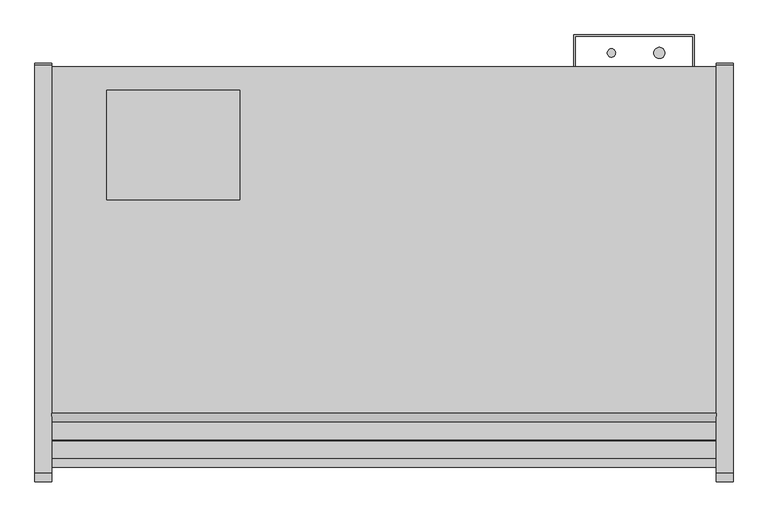
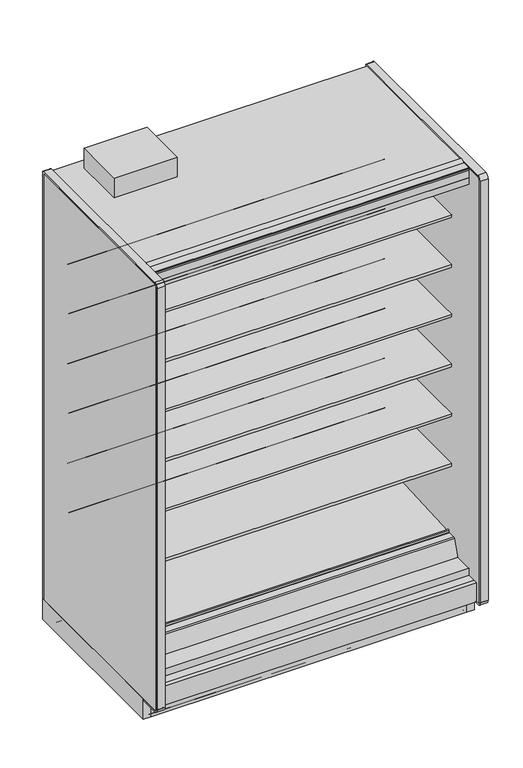
"""IFC4 building model written with IfcOpenShell, lengths in millimetres: proxy geometry."""

from ifc_helpers import new_model, si_unit, point, frame, frame_2d, origin, origin_with_axes, place, context, project, spatial, polyline, circle_curve, trimmed, segment, composite_curve, outline, extrude, source, transform, mapped, element, save
from ifc_brep_helpers import plane_surface, cylinder_surface, revolved_surface, advanced_brep


def mechanical_equipment_cd55933f(model_context):
    return source(origin(), model_context, "Body", "SolidModel", [
        advanced_brep(
        [(1524.0, -561.9634035, 344.1848334), (1524.0, -564.2429044, 345.4296812), (1524.0, -1026.8895371, 320.6518015), (1524.0, -1030.5933535, 323.8714799), (1524.0, -1031.0840219, 329.4798433), (1524.0, -1038.0719408, 329.6038293), (1524.0, -1036.3912863, 310.3938498), (1524.0, -1029.7331167, 304.6059909), (1524.0, -564.0987232, 329.0088554), (1524.0, -561.0984251, 332.412155), (0.0, -561.9634035, 344.1848334), (0.0, -561.0984251, 332.412155), (0.0, -564.0987232, 329.0088554), (0.0, -1029.7331167, 304.6059909), (0.0, -1036.3912863, 310.3938498), (0.0, -1038.0719408, 329.6038293), (0.0, -1031.1453592, 329.474477), (0.0, -1030.5933535, 323.8714799), (0.0, -1026.8895371, 320.6518015), (0.0, -564.2429044, 345.4296812)],
        [
            (0, 1, circle_curve(frame((1524.0, -564.1846976, 342.8267904), z_axis=(1.0, 0.0, 0.0), x_axis=(0.0, 1.0, 0.0)), 2.6035415)),
            (1, 2),
            (2, 3, circle_curve(frame((1524.0, -1027.074408, 324.1793478), z_axis=(-1.0, 0.0, 0.0), x_axis=(0.0, 1.0, 0.0)), 3.5323874)),
            (3, 4),
            (4, 5, circle_curve(frame((1524.0, -1034.6155275, 329.1708765), z_axis=(1.0, 0.0, 0.0), x_axis=(0.0, 1.0, 0.0)), 3.4834238)),
            (5, 6),
            (6, 7, circle_curve(frame((1524.0, -1030.06545, 310.9472884), z_axis=(1.0, 0.0, 0.0), x_axis=(0.0, 1.0, 0.0)), 6.35)),
            (7, 8),
            (8, 9, circle_curve(frame((1524.0, -564.2648898, 332.1795042), z_axis=(1.0, 0.0, 0.0), x_axis=(0.0, 1.0, 0.0)), 3.175)),
            (9, 0),
            (10, 11),
            (11, 12, circle_curve(frame((0.0, -564.2648898, 332.1795042), z_axis=(-1.0, 0.0, 0.0), x_axis=(0.0, 1.0, 0.0)), 3.175)),
            (12, 13),
            (13, 14, circle_curve(frame((0.0, -1030.06545, 310.9472884), z_axis=(-1.0, 0.0, 0.0), x_axis=(0.0, 1.0, 0.0)), 6.35)),
            (14, 15),
            (15, 16, circle_curve(frame((0.0, -1034.6155275, 329.1708765), z_axis=(-1.0, 0.0, 0.0), x_axis=(0.0, 1.0, 0.0)), 3.4834238)),
            (16, 17),
            (17, 18, circle_curve(frame((0.0, -1027.074408, 324.1793478), z_axis=(1.0, 0.0, 0.0), x_axis=(0.0, 1.0, 0.0)), 3.5323874)),
            (18, 19),
            (19, 10, circle_curve(frame((0.0, -564.1846976, 342.8267904), z_axis=(-1.0, 0.0, 0.0), x_axis=(0.0, 1.0, 0.0)), 2.6035415)),
            (0, 10),
            (19, 1),
            (18, 2),
            (17, 3),
            (16, 4),
            (15, 5),
            (14, 6),
            (13, 7),
            (12, 8),
            (11, 9),
        ],
        [
            plane_surface(frame((1524.0, -561.5811561, 342.8267904), z_axis=(1.0, 0.0, 0.0), x_axis=(0.0, 0.0, 1.0))),
            plane_surface(frame((0.0, -561.5811561, 342.8267904), z_axis=(-1.0, 0.0, 0.0), x_axis=(0.0, 0.0, -1.0))),
            cylinder_surface(frame((0.0, -564.1846976, 342.8267904), z_axis=(1.0, 0.0, 0.0), x_axis=(0.0, 1.0, 0.0)), 2.6035415),
            plane_surface(frame((1524.0, -564.2429044, 345.4296812), z_axis=(0.0, -0.05348016950002925, 0.9985689117283034), x_axis=(-1.0, 0.0, 0.0))),
            revolved_surface(polyline([(0.0, -1023.5420206, 324.1793478), (1524.0, -1023.5420206, 324.1793478)]), (0.0, -1027.074408, 324.1793478), (-1.0, 0.0, 0.0)),
            plane_surface(frame((1524.0, -1030.5933535, 323.8714799), z_axis=(0.0, 0.9961946955698885, 0.08715577157261226), x_axis=(-1.0, 0.0, 0.0))),
            cylinder_surface(frame((0.0, -1034.6155275, 329.1708765), z_axis=(1.0, 0.0, 0.0), x_axis=(0.0, 1.0, 0.0)), 3.4834238),
            plane_surface(frame((1524.0, -1038.0719408, 329.6038293), z_axis=(0.0, -0.9961947025639891, -0.08715569162966595), x_axis=(-1.0, 0.0, 0.0))),
            cylinder_surface(frame((0.0, -1030.06545, 310.9472884), z_axis=(1.0, 0.0, 0.0), x_axis=(0.0, 1.0, 0.0)), 6.35),
            plane_surface(frame((1524.0, -1029.7331167, 304.6059909), z_axis=(0.0, 0.05233595624301148, -0.9986295347545703), x_axis=(-1.0, 0.0, 0.0))),
            cylinder_surface(frame((0.0, -564.2648898, 332.1795042), z_axis=(1.0, 0.0, 0.0), x_axis=(0.0, 1.0, 0.0)), 3.175),
            plane_surface(frame((1524.0, -561.0984251, 332.412155), z_axis=(0.0, 0.9973117114183067, 0.07327585050948485), x_axis=(-1.0, 0.0, 0.0))),
        ],
        [
            (0, [[1, 2, 3, 4, 5, 6, 7, 8, 9, 10]]),
            (1, [[11, 12, 13, 14, 15, 16, 17, 18, 19, 20]]),
            (2, [[-1, 21, -20, 22]]),
            (3, [[-2, -22, -19, 23]]),
            (4, [[-3, -23, -18, 24]]),
            (5, [[-4, -24, -17, 25]]),
            (6, [[-5, -25, -16, 26]]),
            (7, [[-6, -26, -15, 27]]),
            (8, [[-7, -27, -14, 28]]),
            (9, [[-8, -28, -13, 29]]),
            (10, [[-9, -29, -12, 30]]),
            (11, [[-10, -30, -11, -21]]),
        ],
    ),
        extrude(outline(polyline([(0.0, -76.2), (0.0, 0.0), (1524.0, 0.0), (1524.0, -76.2), (0.0, -76.2)])), frame((1524.0, -1148.315718, 2172.3343709), z_axis=(0.0, 0.20791169081767066, 0.9781476007338246), x_axis=(-1.0, 0.0, 0.0)), (0.0, 0.0, 1.0), 12.7),
        extrude(outline(composite_curve([segment(polyline([(-450.7214273, 610.906076), (-468.9852913, 610.5955195)]), True, "CONTINUOUS"), segment(trimmed(circle_curve(frame_2d((-469.4171274, 635.9918483)), 25.4), [point((-468.9852913, 610.5955195))], [point((-485.3944836, 616.2463656))], False, "CARTESIAN"), True, "CONTINUOUS"), segment(polyline([(-485.3944836, 616.2463656), (-503.2465447, 630.6916311)]), True, "CONTINUOUS"), segment(trimmed(circle_curve(frame_2d((-543.1899354, 581.3279244)), 63.5), [point((-503.2465447, 630.6916311))], [point((-535.2920542, 644.3348563))], True, "CARTESIAN"), True, "CONTINUOUS"), segment(polyline([(-535.2920542, 644.3348563), (-749.7407218, 668.0319937), (-751.2294983, 671.4725458), (-1060.3214273, 671.4725458), (-1060.3214273, 685.6965458), (-450.7214273, 685.6965458), (-450.7214273, 610.906076)]), True, "CONTINUOUS")], self_intersect=False)), frame((0.0, 0.0, 0.0), z_axis=(1.0, 0.0, 0.0), x_axis=(0.0, 1.0, 0.0)), (0.0, 0.0, 1.0), 1524.0),
        extrude(outline(composite_curve([segment(polyline([(-450.7214273, 864.906076), (-468.9852913, 864.5955195)]), True, "CONTINUOUS"), segment(trimmed(circle_curve(frame_2d((-469.4171274, 889.9918483)), 25.4), [point((-468.9852913, 864.5955195))], [point((-485.3944836, 870.2463656))], False, "CARTESIAN"), True, "CONTINUOUS"), segment(polyline([(-485.3944836, 870.2463656), (-503.2465447, 884.6916311)]), True, "CONTINUOUS"), segment(trimmed(circle_curve(frame_2d((-543.1899354, 835.3279244)), 63.5), [point((-503.2465447, 884.6916311))], [point((-535.2920542, 898.3348563))], True, "CARTESIAN"), True, "CONTINUOUS"), segment(polyline([(-535.2920542, 898.3348563), (-749.7407218, 922.0319937), (-751.2294983, 925.4725458), (-1060.3214273, 925.4725458), (-1060.3214273, 939.6965458), (-450.7214273, 939.6965458), (-450.7214273, 864.906076)]), True, "CONTINUOUS")], self_intersect=False)), frame((0.0, 0.0, 0.0), z_axis=(1.0, 0.0, 0.0), x_axis=(0.0, 1.0, 0.0)), (0.0, 0.0, 1.0), 1524.0),
        extrude(outline(composite_curve([segment(polyline([(-450.7214273, 1118.906076), (-468.9852913, 1118.5955195)]), True, "CONTINUOUS"), segment(trimmed(circle_curve(frame_2d((-469.4171274, 1143.9918483)), 25.4), [point((-468.9852913, 1118.5955195))], [point((-485.3944836, 1124.2463656))], False, "CARTESIAN"), True, "CONTINUOUS"), segment(polyline([(-485.3944836, 1124.2463656), (-503.2465447, 1138.6916311)]), True, "CONTINUOUS"), segment(trimmed(circle_curve(frame_2d((-543.1899354, 1089.3279244)), 63.5), [point((-503.2465447, 1138.6916311))], [point((-535.2920542, 1152.3348563))], True, "CARTESIAN"), True, "CONTINUOUS"), segment(polyline([(-535.2920542, 1152.3348563), (-749.7407218, 1176.0319937), (-751.2294983, 1179.4725458), (-1060.3214273, 1179.4725458), (-1060.3214273, 1193.6965458), (-450.7214273, 1193.6965458), (-450.7214273, 1118.906076)]), True, "CONTINUOUS")], self_intersect=False)), frame((0.0, 0.0, 0.0), z_axis=(1.0, 0.0, 0.0), x_axis=(0.0, 1.0, 0.0)), (0.0, 0.0, 1.0), 1524.0),
        extrude(outline(composite_curve([segment(polyline([(-450.7214273, 1372.906076), (-468.9852913, 1372.5955195)]), True, "CONTINUOUS"), segment(trimmed(circle_curve(frame_2d((-469.4171274, 1397.9918483)), 25.4), [point((-468.9852913, 1372.5955195))], [point((-485.3944836, 1378.2463656))], False, "CARTESIAN"), True, "CONTINUOUS"), segment(polyline([(-485.3944836, 1378.2463656), (-503.2465447, 1392.6916311)]), True, "CONTINUOUS"), segment(trimmed(circle_curve(frame_2d((-543.1899354, 1343.3279244)), 63.5), [point((-503.2465447, 1392.6916311))], [point((-535.2920542, 1406.3348563))], True, "CARTESIAN"), True, "CONTINUOUS"), segment(polyline([(-535.2920542, 1406.3348563), (-749.7407218, 1430.0319937), (-751.2294983, 1433.4725458), (-1060.3214273, 1433.4725458), (-1060.3214273, 1447.6965458), (-450.7214273, 1447.6965458), (-450.7214273, 1372.906076)]), True, "CONTINUOUS")], self_intersect=False)), frame((0.0, 0.0, 0.0), z_axis=(1.0, 0.0, 0.0), x_axis=(0.0, 1.0, 0.0)), (0.0, 0.0, 1.0), 1524.0),
        extrude(outline(composite_curve([segment(polyline([(-450.7214273, 1626.906076), (-468.9852913, 1626.5955195)]), True, "CONTINUOUS"), segment(trimmed(circle_curve(frame_2d((-469.4171274, 1651.9918483)), 25.4), [point((-468.9852913, 1626.5955195))], [point((-485.3944836, 1632.2463656))], False, "CARTESIAN"), True, "CONTINUOUS"), segment(polyline([(-485.3944836, 1632.2463656), (-503.2465447, 1646.6916311)]), True, "CONTINUOUS"), segment(trimmed(circle_curve(frame_2d((-543.1899354, 1597.3279244)), 63.5), [point((-503.2465447, 1646.6916311))], [point((-535.2920542, 1660.3348563))], True, "CARTESIAN"), True, "CONTINUOUS"), segment(polyline([(-535.2920542, 1660.3348563), (-749.7407218, 1684.0319937), (-751.2294983, 1687.4725458), (-1060.3214273, 1687.4725458), (-1060.3214273, 1701.6965458), (-450.7214273, 1701.6965458), (-450.7214273, 1626.906076)]), True, "CONTINUOUS")], self_intersect=False)), frame((0.0, 0.0, 0.0), z_axis=(1.0, 0.0, 0.0), x_axis=(0.0, 1.0, 0.0)), (0.0, 0.0, 1.0), 1524.0),
        extrude(outline(composite_curve([segment(polyline([(-450.7214273, 1880.906076), (-468.9852913, 1880.5955195)]), True, "CONTINUOUS"), segment(trimmed(circle_curve(frame_2d((-469.4171274, 1905.9918483)), 25.4), [point((-468.9852913, 1880.5955195))], [point((-485.3944836, 1886.2463656))], False, "CARTESIAN"), True, "CONTINUOUS"), segment(polyline([(-485.3944836, 1886.2463656), (-503.2465447, 1900.6916311)]), True, "CONTINUOUS"), segment(trimmed(circle_curve(frame_2d((-543.1899354, 1851.3279244)), 63.5), [point((-503.2465447, 1900.6916311))], [point((-535.2920542, 1914.3348563))], True, "CARTESIAN"), True, "CONTINUOUS"), segment(polyline([(-535.2920542, 1914.3348563), (-749.7407218, 1938.0319937), (-751.2294983, 1941.4725458), (-1060.3214273, 1941.4725458), (-1060.3214273, 1955.6965458), (-450.7214273, 1955.6965458), (-450.7214273, 1880.906076)]), True, "CONTINUOUS")], self_intersect=False)), frame((0.0, 0.0, 0.0), z_axis=(1.0, 0.0, 0.0), x_axis=(0.0, 1.0, 0.0)), (0.0, 0.0, 1.0), 1524.0),
        extrude(outline(composite_curve([segment(polyline([(-399.4642273, 263.5334166), (-450.7214273, 263.5334166), (-450.7214273, 2180.7678), (-1054.683315, 2180.7678), (-1065.9723027, 2183.3740682), (-1068.4516793, 2171.7095186)]), True, "CONTINUOUS"), segment(trimmed(circle_curve(frame_2d((-1069.9423762, 2172.026376)), 1.524), [point((-1068.4516793, 2171.7095186))], [point((-1070.2592336, 2170.535679))], False, "CARTESIAN"), True, "CONTINUOUS"), segment(polyline([(-1070.2592336, 2170.535679), (-1146.9989273, 2186.8472045), (-1146.9989273, 2185.4610037)]), True, "CONTINUOUS"), segment(trimmed(circle_curve(frame_2d((-1149.3773343, 2185.6703219)), 2.3876), [point((-1146.9989273, 2185.4610037))], [point((-1149.3773343, 2183.2827219))], False, "CARTESIAN"), True, "CONTINUOUS"), segment(polyline([(-1149.3773343, 2183.2827219), (-1160.0080838, 2183.2827219), (-1160.0080838, 2198.5584119), (-1204.934197, 2198.5584119), (-1204.934197, 2231.5678), (-399.4642273, 2231.5678), (-399.4642273, 263.5334166)]), True, "CONTINUOUS")], self_intersect=False)), frame((0.0, 0.0, 0.0), z_axis=(1.0, 0.0, 0.0), x_axis=(0.0, 1.0, 0.0)), (0.0, 0.0, 1.0), 1524.0),
        extrude(outline(polyline([(-1184.0321273, 137.6211945), (-1168.9318273, 134.4868212), (-1168.9318273, 0.0), (-1184.0321273, 0.0), (-1184.0321273, 137.6211945)])), frame((0.0, 0.0, 0.0), z_axis=(1.0, 0.0, 0.0), x_axis=(0.0, 1.0, 0.0)), (0.0, 0.0, 1.0), 1524.0),
        extrude(outline(composite_curve([segment(polyline([(-1143.4147517, 2293.9163807), (-1142.8305517, 2292.9045166), (-1164.373752, 2280.4665441)]), True, "CONTINUOUS"), segment(trimmed(circle_curve(frame_2d((-1165.351652, 2282.1603166)), 1.9558), [point((-1164.373752, 2280.4665441))], [point((-1165.351652, 2280.2045166))], False, "CARTESIAN"), True, "CONTINUOUS"), segment(polyline([(-1165.351652, 2280.2045166), (-1204.146797, 2280.2045166)]), True, "CONTINUOUS"), segment(trimmed(circle_curve(frame_2d((-1204.146797, 2279.4171166)), 0.7874), [point((-1204.146797, 2280.2045166))], [point((-1204.934197, 2279.4171166))], True, "CARTESIAN"), True, "CONTINUOUS"), segment(polyline([(-1204.934197, 2279.4171166), (-1204.934197, 2271.1740275), (-1206.102597, 2271.1740275), (-1206.102597, 2279.4171166)]), True, "CONTINUOUS"), segment(trimmed(circle_curve(frame_2d((-1204.146797, 2279.4171166)), 1.9558), [point((-1206.102597, 2279.4171166))], [point((-1204.146797, 2281.3729166))], False, "CARTESIAN"), True, "CONTINUOUS"), segment(polyline([(-1204.146797, 2281.3729166), (-1165.8714792, 2281.3729166)]), True, "CONTINUOUS"), segment(trimmed(circle_curve(frame_2d((-1165.8714792, 2284.100338)), 2.7274214), [point((-1165.8714792, 2281.3729166))], [point((-1164.5077684, 2281.7383218))], True, "CARTESIAN"), True, "CONTINUOUS"), segment(polyline([(-1164.5077684, 2281.7383218), (-1143.4147517, 2293.9163807)]), True, "CONTINUOUS")], self_intersect=False)), frame((0.0, 0.0, 0.0), z_axis=(1.0, 0.0, 0.0), x_axis=(0.0, 1.0, 0.0)), (0.0, 0.0, 1.0), 1524.0),
        extrude(outline(composite_curve([segment(trimmed(circle_curve(frame_2d((-389.0756273, 5.1562)), 5.1562), [point((-389.0756273, 0.0))], [point((-394.2318273, 5.1562))], False, "CARTESIAN"), True, "CONTINUOUS"), segment(polyline([(-394.2318273, 5.1562), (-394.2318273, 20.5359)]), True, "CONTINUOUS"), segment(trimmed(circle_curve(frame_2d((-396.6194273, 20.5359)), 2.3876), [point((-394.2318273, 20.5359))], [point((-396.6194273, 22.9235))], True, "CARTESIAN"), True, "CONTINUOUS"), segment(polyline([(-396.6194273, 22.9235), (-407.8462273, 22.9235)]), True, "CONTINUOUS"), segment(trimmed(circle_curve(frame_2d((-407.8462273, 20.5359)), 2.3876), [point((-407.8462273, 22.9235))], [point((-410.2338273, 20.5359))], True, "CARTESIAN"), True, "CONTINUOUS"), segment(polyline([(-410.2338273, 20.5359), (-410.2338273, 5.1054), (-413.0024273, 5.1054), (-413.0024273, 20.5359)]), True, "CONTINUOUS"), segment(trimmed(circle_curve(frame_2d((-407.8462273, 20.5359)), 5.1562), [point((-413.0024273, 20.5359))], [point((-407.8462273, 25.6921))], False, "CARTESIAN"), True, "CONTINUOUS"), segment(polyline([(-407.8462273, 25.6921), (-396.6194273, 25.6921)]), True, "CONTINUOUS"), segment(trimmed(circle_curve(frame_2d((-396.6194273, 20.5359)), 5.1562), [point((-396.6194273, 25.6921))], [point((-391.4632273, 20.5359))], False, "CARTESIAN"), True, "CONTINUOUS"), segment(polyline([(-391.4632273, 20.5359), (-391.4632273, 5.1562)]), True, "CONTINUOUS"), segment(trimmed(circle_curve(frame_2d((-389.0756273, 5.1562)), 2.3876), [point((-391.4632273, 5.1562))], [point((-389.0756273, 2.7686))], True, "CARTESIAN"), True, "CONTINUOUS"), segment(polyline([(-389.0756273, 2.7686), (-354.1633273, 2.7686)]), True, "CONTINUOUS"), segment(trimmed(circle_curve(frame_2d((-354.1633273, 5.1562)), 2.3876), [point((-354.1633273, 2.7686))], [point((-351.7757273, 5.1562))], True, "CARTESIAN"), True, "CONTINUOUS"), segment(polyline([(-351.7757273, 5.1562), (-351.7757273, 24.892), (-349.0071273, 24.892), (-349.0071273, 5.1562)]), True, "CONTINUOUS"), segment(trimmed(circle_curve(frame_2d((-354.1633273, 5.1562)), 5.1562), [point((-349.0071273, 5.1562))], [point((-354.1633273, 0.0))], False, "CARTESIAN"), True, "CONTINUOUS"), segment(polyline([(-354.1633273, 0.0), (-389.0756273, 0.0)]), True, "CONTINUOUS")], self_intersect=False)), frame((0.0, 0.0, 0.0), z_axis=(1.0, 0.0, 0.0), x_axis=(0.0, 1.0, 0.0)), (0.0, 0.0, 1.0), 1524.0),
        extrude(outline(polyline([(431.8, -402.5757273), (431.8, -653.4642273), (127.0, -653.4642273), (127.0, -402.5757273), (431.8, -402.5757273)])), frame((0.0, 0.0, 2283.6853727), z_axis=(0.0, 0.0, 1.0), x_axis=(1.0, 0.0, 0.0)), (0.0, 0.0, 1.0), 100.7396273),
        extrude(outline(composite_curve([segment(trimmed(circle_curve(frame_2d((1393.1930803, -317.2571273)), 12.7), [point((1380.4930803, -317.2571273))], [point((1405.8930803, -317.2571273))], False, "CARTESIAN"), True, "CONTINUOUS"), segment(trimmed(circle_curve(frame_2d((1393.1930803, -317.2571273)), 12.7), [point((1405.8930803, -317.2571273))], [point((1380.4930803, -317.2571273))], False, "CARTESIAN"), True, "CONTINUOUS")], self_intersect=False)), frame((0.0, 0.0, 1447.6965458), z_axis=(0.0, 0.0, 1.0), x_axis=(1.0, 0.0, 0.0)), (0.0, 0.0, 1.0), 508.0),
        extrude(outline(composite_curve([segment(trimmed(circle_curve(frame_2d((1283.2004524, -317.2571273)), 9.525), [point((1273.6754524, -317.2571273))], [point((1292.7254524, -317.2571273))], False, "CARTESIAN"), True, "CONTINUOUS"), segment(trimmed(circle_curve(frame_2d((1283.2004524, -317.2571273)), 9.525), [point((1292.7254524, -317.2571273))], [point((1273.6754524, -317.2571273))], False, "CARTESIAN"), True, "CONTINUOUS")], self_intersect=False)), frame((0.0, 0.0, 1447.6965458), z_axis=(0.0, 0.0, 1.0), x_axis=(1.0, 0.0, 0.0)), (0.0, 0.0, 1.0), 508.0),
        extrude(outline(composite_curve([segment(trimmed(circle_curve(frame_2d((1384.8004524, -526.8071273)), 9.525), [point((1375.2754524, -526.8071273))], [point((1394.3254524, -526.8071273))], False, "CARTESIAN"), True, "CONTINUOUS"), segment(trimmed(circle_curve(frame_2d((1384.8004524, -526.8071273)), 9.525), [point((1394.3254524, -526.8071273))], [point((1375.2754524, -526.8071273))], False, "CARTESIAN"), True, "CONTINUOUS")], self_intersect=False)), frame((0.0, 0.0, 57.8450688), z_axis=(0.0, 0.0, 1.0), x_axis=(1.0, 0.0, 0.0)), (0.0, 0.0, 1.0), 47.3172812),
        extrude(outline(composite_curve([segment(trimmed(circle_curve(frame_2d((1431.2930803, -526.8071273)), 12.7), [point((1418.5930803, -526.8071273))], [point((1443.9930803, -526.8071273))], False, "CARTESIAN"), True, "CONTINUOUS"), segment(trimmed(circle_curve(frame_2d((1431.2930803, -526.8071273)), 12.7), [point((1443.9930803, -526.8071273))], [point((1418.5930803, -526.8071273))], False, "CARTESIAN"), True, "CONTINUOUS")], self_intersect=False)), frame((0.0, 0.0, 57.8450688), z_axis=(0.0, 0.0, 1.0), x_axis=(1.0, 0.0, 0.0)), (0.0, 0.0, 1.0), 47.3172812),
        advanced_brep(
        [(1524.0, -351.7757273, 5.1562), (1524.0, -351.7757273, 102.030341), (1524.0, -354.5203863, 104.775), (1524.0, -1016.877197, 104.775), (1524.0, -1020.1132273, 101.5389697), (1524.0, -1020.1132273, 5.1562), (1524.0, -1017.7256273, 2.7686), (1524.0, -985.1882273, 2.7686), (1524.0, -985.1882273, 44.45), (1524.0, -386.7007273, 44.45), (1524.0, -386.7007273, 2.7686), (1524.0, -354.1633273, 2.7686), (0.0, -351.7757273, 5.1562), (0.0, -354.1633273, 2.7686), (0.0, -386.7007273, 2.7686), (0.0, -386.7007273, 44.45), (0.0, -985.1882273, 44.45), (0.0, -985.1882273, 2.7686), (0.0, -1017.7256273, 2.7686), (0.0, -1020.1132273, 5.1562), (0.0, -1020.1132273, 101.5389697), (0.0, -1016.877197, 104.775), (0.0, -354.5203863, 104.775), (0.0, -351.7757273, 102.030341), (812.8, -945.9071273, 104.775), (711.2, -945.9071273, 104.775), (1460.5, -526.8071273, 104.775), (1358.9, -526.8071273, 104.775), (1358.9, -526.8071273, 44.45), (1460.5, -526.8071273, 44.45), (711.2, -945.9071273, 70.23735), (812.8, -945.9071273, 70.23735)],
        [
            (0, 1),
            (1, 2, circle_curve(frame((1524.0, -354.5203863, 102.030341), z_axis=(1.0, 0.0, 0.0), x_axis=(0.0, 1.0, 0.0)), 2.744659)),
            (2, 3),
            (3, 4, circle_curve(frame((1524.0, -1016.877197, 101.5389697), z_axis=(1.0, 0.0, 0.0), x_axis=(0.0, 1.0, 0.0)), 3.2360303)),
            (4, 5),
            (5, 6, circle_curve(frame((1524.0, -1017.7256273, 5.1562), z_axis=(1.0, 0.0, 0.0), x_axis=(0.0, 1.0, 0.0)), 2.3876)),
            (6, 7),
            (7, 8),
            (8, 9),
            (9, 10),
            (10, 11),
            (11, 0, circle_curve(frame((1524.0, -354.1633273, 5.1562), z_axis=(1.0, 0.0, 0.0), x_axis=(0.0, 1.0, 0.0)), 2.3876)),
            (12, 13, circle_curve(frame((0.0, -354.1633273, 5.1562), z_axis=(-1.0, 0.0, 0.0), x_axis=(0.0, 1.0, 0.0)), 2.3876)),
            (13, 14),
            (14, 15),
            (15, 16),
            (16, 17),
            (17, 18),
            (18, 19, circle_curve(frame((0.0, -1017.7256273, 5.1562), z_axis=(-1.0, 0.0, 0.0), x_axis=(0.0, 1.0, 0.0)), 2.3876)),
            (19, 20),
            (20, 21, circle_curve(frame((0.0, -1016.877197, 101.5389697), z_axis=(-1.0, 0.0, 0.0), x_axis=(0.0, 1.0, 0.0)), 3.2360303)),
            (21, 22),
            (22, 23, circle_curve(frame((0.0, -354.5203863, 102.030341), z_axis=(-1.0, 0.0, 0.0), x_axis=(0.0, 1.0, 0.0)), 2.744659)),
            (23, 12),
            (0, 12),
            (23, 1),
            (22, 2),
            (21, 3),
            (24, 25, circle_curve(frame((762.0, -945.9071273, 104.775), z_axis=(0.0, 0.0, -1.0), x_axis=(1.0, 0.0, 0.0)), 50.8)),
            (25, 24, circle_curve(frame((762.0, -945.9071273, 104.775), z_axis=(0.0, 0.0, -1.0), x_axis=(1.0, 0.0, 0.0)), 50.8)),
            (26, 27, circle_curve(frame((1409.7, -526.8071273, 104.775), z_axis=(0.0, 0.0, -1.0), x_axis=(1.0, 0.0, 0.0)), 50.8)),
            (27, 26, circle_curve(frame((1409.7, -526.8071273, 104.775), z_axis=(0.0, 0.0, -1.0), x_axis=(1.0, 0.0, 0.0)), 50.8)),
            (20, 4),
            (19, 5),
            (18, 6),
            (17, 7),
            (16, 8),
            (15, 9),
            (28, 29, circle_curve(frame((1409.7, -526.8071273, 44.45), z_axis=(0.0, 0.0, 1.0), x_axis=(1.0, 0.0, 0.0)), 50.8)),
            (29, 28, circle_curve(frame((1409.7, -526.8071273, 44.45), z_axis=(0.0, 0.0, 1.0), x_axis=(1.0, 0.0, 0.0)), 50.8)),
            (14, 10),
            (13, 11),
            (30, 31, circle_curve(frame((762.0, -945.9071273, 70.23735), z_axis=(0.0, 0.0, 1.0), x_axis=(1.0, 0.0, 0.0)), 50.8)),
            (31, 30, circle_curve(frame((762.0, -945.9071273, 70.23735), z_axis=(0.0, 0.0, 1.0), x_axis=(1.0, 0.0, 0.0)), 50.8)),
            (30, 25),
            (24, 31),
            (28, 27),
            (26, 29),
        ],
        [
            plane_surface(frame((1524.0, -351.7757273, 124.7613392), z_axis=(1.0, 0.0, 0.0), x_axis=(0.0, 0.0, 1.0))),
            plane_surface(frame((0.0, -351.7757273, 124.7613392), z_axis=(-1.0, 0.0, 0.0), x_axis=(0.0, 0.0, -1.0))),
            plane_surface(frame((1524.0, -351.7757273, 5.1562), z_axis=(0.0, 1.0, 0.0), x_axis=(-1.0, 0.0, 0.0))),
            cylinder_surface(frame((0.0, -354.5203863, 102.030341), z_axis=(1.0, 0.0, 0.0), x_axis=(0.0, 1.0, 0.0)), 2.744659),
            plane_surface(frame((1524.0, -354.5203863, 104.775), z_axis=(0.0, 0.0, 1.0), x_axis=(-1.0, 0.0, 0.0))),
            cylinder_surface(frame((0.0, -1016.877197, 101.5389697), z_axis=(1.0, 0.0, 0.0), x_axis=(0.0, 1.0, 0.0)), 3.2360303),
            plane_surface(frame((1524.0, -1020.1132273, 101.5389697), z_axis=(0.0, -1.0, 0.0), x_axis=(-1.0, 0.0, 0.0))),
            cylinder_surface(frame((0.0, -1017.7256273, 5.1562), z_axis=(1.0, 0.0, 0.0), x_axis=(0.0, 1.0, 0.0)), 2.3876),
            plane_surface(frame((1524.0, -1017.7256273, 2.7686), z_axis=(0.0, 0.0, -1.0), x_axis=(-1.0, 0.0, 0.0))),
            plane_surface(frame((1524.0, -985.1882273, 2.7686), z_axis=(0.0, 1.0, 0.0), x_axis=(-1.0, 0.0, 0.0))),
            plane_surface(frame((1524.0, -985.1882273, 44.45), z_axis=(0.0, 0.0, -1.0), x_axis=(-1.0, 0.0, 0.0))),
            plane_surface(frame((1524.0, -386.7007273, 44.45), z_axis=(0.0, -1.0, 0.0), x_axis=(-1.0, 0.0, 0.0))),
            plane_surface(frame((1524.0, -386.7007273, 2.7686), z_axis=(0.0, 0.0, -1.0), x_axis=(-1.0, 0.0, 0.0))),
            cylinder_surface(frame((0.0, -354.1633273, 5.1562), z_axis=(1.0, 0.0, 0.0), x_axis=(0.0, 1.0, 0.0)), 2.3876),
            plane_surface(frame((812.8, -945.9071273, 70.23735), z_axis=(0.0, 0.0, 1.0), x_axis=(0.0, -1.0, 0.0))),
            revolved_surface(polyline([(812.8, -945.9071273, 104.775), (812.8, -945.9071273, 70.23735)]), (762.0, -945.9071273, 70.23735), (0.0, 0.0, 1.0)),
            revolved_surface(polyline([(1460.5, -526.8071273, 104.775), (1460.5, -526.8071273, 44.45)]), (1409.7, -526.8071273, 0.0), (0.0, 0.0, 1.0)),
        ],
        [
            (0, [[1, 2, 3, 4, 5, 6, 7, 8, 9, 10, 11, 12]]),
            (1, [[13, 14, 15, 16, 17, 18, 19, 20, 21, 22, 23, 24]]),
            (2, [[-1, 25, -24, 26]]),
            (3, [[-2, -26, -23, 27]]),
            (4, [[-3, -27, -22, 28], [29, 30], [31, 32]]),
            (5, [[-4, -28, -21, 33]]),
            (6, [[-5, -33, -20, 34]]),
            (7, [[-6, -34, -19, 35]]),
            (8, [[-7, -35, -18, 36]]),
            (9, [[-8, -36, -17, 37]]),
            (10, [[-9, -37, -16, 38], [39, 40]]),
            (11, [[-10, -38, -15, 41]]),
            (12, [[-11, -41, -14, 42]]),
            (13, [[-12, -42, -13, -25]]),
            (14, [[43, 44]]),
            (15, [[-43, 45, -29, 46]]),
            (15, [[-44, -46, -30, -45]]),
            (16, [[47, -31, 48, -39]]),
            (16, [[-47, -40, -48, -32]]),
        ],
    ),
        extrude(outline(composite_curve([segment(polyline([(-982.8133273, 0.0), (-1017.7256273, 0.0)]), True, "CONTINUOUS"), segment(trimmed(circle_curve(frame_2d((-1017.7256273, 5.1562)), 5.1562), [point((-1017.7256273, 0.0))], [point((-1022.8818273, 5.1562))], False, "CARTESIAN"), True, "CONTINUOUS"), segment(polyline([(-1022.8818273, 5.1562), (-1022.8818273, 24.892), (-1020.1132273, 24.892), (-1020.1132273, 5.1562)]), True, "CONTINUOUS"), segment(trimmed(circle_curve(frame_2d((-1017.7256273, 5.1562)), 2.3876), [point((-1020.1132273, 5.1562))], [point((-1017.7256273, 2.7686))], True, "CARTESIAN"), True, "CONTINUOUS"), segment(polyline([(-1017.7256273, 2.7686), (-982.8133273, 2.7686)]), True, "CONTINUOUS"), segment(trimmed(circle_curve(frame_2d((-982.8133273, 5.1562)), 2.3876), [point((-982.8133273, 2.7686))], [point((-980.4257273, 5.1562))], True, "CARTESIAN"), True, "CONTINUOUS"), segment(polyline([(-980.4257273, 5.1562), (-980.4257273, 20.5359)]), True, "CONTINUOUS"), segment(trimmed(circle_curve(frame_2d((-975.2695273, 20.5359)), 5.1562), [point((-980.4257273, 20.5359))], [point((-975.2695273, 25.6921))], False, "CARTESIAN"), True, "CONTINUOUS"), segment(polyline([(-975.2695273, 25.6921), (-964.0427273, 25.6921)]), True, "CONTINUOUS"), segment(trimmed(circle_curve(frame_2d((-964.0427273, 20.5359)), 5.1562), [point((-964.0427273, 25.6921))], [point((-958.8865273, 20.5359))], False, "CARTESIAN"), True, "CONTINUOUS"), segment(polyline([(-958.8865273, 20.5359), (-958.8865273, 5.1054), (-961.6551273, 5.1054), (-961.6551273, 20.5359)]), True, "CONTINUOUS"), segment(trimmed(circle_curve(frame_2d((-964.0427273, 20.5359)), 2.3876), [point((-961.6551273, 20.5359))], [point((-964.0427273, 22.9235))], True, "CARTESIAN"), True, "CONTINUOUS"), segment(polyline([(-964.0427273, 22.9235), (-975.2695273, 22.9235)]), True, "CONTINUOUS"), segment(trimmed(circle_curve(frame_2d((-975.2695273, 20.5359)), 2.3876), [point((-975.2695273, 22.9235))], [point((-977.6571273, 20.5359))], True, "CARTESIAN"), True, "CONTINUOUS"), segment(polyline([(-977.6571273, 20.5359), (-977.6571273, 5.1562)]), True, "CONTINUOUS"), segment(trimmed(circle_curve(frame_2d((-982.8133273, 5.1562)), 5.1562), [point((-977.6571273, 5.1562))], [point((-982.8133273, 0.0))], False, "CARTESIAN"), True, "CONTINUOUS")], self_intersect=False)), frame((0.0, 0.0, 0.0), z_axis=(1.0, 0.0, 0.0), x_axis=(0.0, 1.0, 0.0)), (0.0, 0.0, 1.0), 1524.0),
        extrude(outline(polyline([(1562.1, -341.3672835), (1562.1, -1184.0321273), (1524.0, -1184.0321273), (1524.0, -341.3672835), (1562.1, -341.3672835)])), origin_with_axes(), (0.0, 0.0, 1.0), 105.16235),
        extrude(outline(polyline([(0.0, -341.3672835), (0.0, -1184.0321273), (-38.1, -1184.0321273), (-38.1, -341.3672835), (0.0, -341.3672835)])), origin_with_axes(), (0.0, 0.0, 1.0), 105.16235),
        extrude(outline(polyline([(1196.975, -349.0071273), (1196.975, -275.9821273), (1473.2, -275.9821273), (1473.2, -349.0071273), (1470.025, -349.0071273), (1470.025, -279.1571273), (1200.15, -279.1571273), (1200.15, -349.0071273), (1196.975, -349.0071273)])), frame((0.0, 0.0, 304.927), z_axis=(0.0, 0.0, 1.0), x_axis=(1.0, 0.0, 0.0)), (0.0, 0.0, 1.0), 1523.3666145),
        extrude(outline(composite_curve([segment(polyline([(-1204.934197, 2231.5678), (-1204.934197, 2282.0376)]), True, "CONTINUOUS"), segment(trimmed(circle_curve(frame_2d((-1204.146797, 2282.0376)), 0.7874), [point((-1204.934197, 2282.0376))], [point((-1204.146797, 2282.825))], False, "CARTESIAN"), True, "CONTINUOUS"), segment(polyline([(-1204.146797, 2282.825), (-349.0071273, 2282.825), (-349.0071273, 105.16235), (-1245.5001273, 105.16235), (-1245.5001273, 201.2766923), (-1204.9341969, 201.2766923), (-1204.9341969, 141.9598426), (-1119.8033151, 124.2892029), (-399.4642273, 162.0405748), (-399.4642273, 2231.5678), (-1204.934197, 2231.5678)]), True, "CONTINUOUS")], self_intersect=False)), frame((0.0, 0.0, 0.0), z_axis=(1.0, 0.0, 0.0), x_axis=(0.0, 1.0, 0.0)), (0.0, 0.0, 1.0), 1524.0),
        extrude(outline(composite_curve([segment(polyline([(-1254.0726273, 103.4174079), (-1265.1216273, 103.4174079)]), True, "CONTINUOUS"), segment(trimmed(circle_curve(frame_2d((-1265.1216273, 105.0684079)), 1.651), [point((-1265.1216273, 103.4174079))], [point((-1266.7726273, 105.0684079))], False, "CARTESIAN"), True, "CONTINUOUS"), segment(polyline([(-1266.7726273, 105.0684079), (-1266.7726273, 201.2766923), (-1245.5001273, 201.2766923), (-1245.5001273, 104.8779079), (-1254.0726273, 104.8779079), (-1254.0726273, 103.4174079)]), True, "CONTINUOUS")], self_intersect=False)), frame((0.0, 0.0, 0.0), z_axis=(1.0, 0.0, 0.0), x_axis=(0.0, 1.0, 0.0)), (0.0, 0.0, 1.0), 1524.0),
        extrude(outline(composite_curve([segment(polyline([(-1204.9341969, 236.2009548), (-1112.2655229, 236.2009548), (-1085.4840574, 317.0386194)]), True, "CONTINUOUS"), segment(trimmed(circle_curve(frame_2d((-1079.4562504, 315.0416109)), 6.35), [point((-1085.4840574, 317.0386194))], [point((-1079.4562504, 321.3916109))], False, "CARTESIAN"), True, "CONTINUOUS"), segment(polyline([(-1079.4562504, 321.3916109), (-1042.3265632, 321.3916109)]), True, "CONTINUOUS"), segment(trimmed(circle_curve(frame_2d((-1042.3265632, 317.161475)), 4.2301359), [point((-1042.3265632, 321.3916109))], [point((-1038.0964273, 317.161475))], False, "CARTESIAN"), True, "CONTINUOUS"), segment(polyline([(-1038.0964273, 317.161475), (-1038.0964273, 302.496991), (-560.550461, 327.5241146), (-560.9721481, 339.5996547)]), True, "CONTINUOUS"), segment(trimmed(circle_curve(frame_2d((-556.4536725, 339.7574433)), 4.5212298), [point((-560.9721481, 339.5996547))], [point((-556.6114611, 344.2759189))], False, "CARTESIAN"), True, "CONTINUOUS"), segment(polyline([(-556.6114611, 344.2759189), (-470.5298654, 347.2819545)]), True, "CONTINUOUS"), segment(trimmed(circle_curve(frame_2d((-470.5794425, 348.7016581)), 1.420569), [point((-470.5298654, 347.2819545))], [point((-469.1597389, 348.7512352))], True, "CARTESIAN"), True, "CONTINUOUS"), segment(polyline([(-469.1597389, 348.7512352), (-469.2184151, 350.4315015)]), True, "CONTINUOUS"), segment(trimmed(circle_curve(frame_2d((-467.1682375, 350.5030952)), 2.0514273), [point((-469.2184151, 350.4315015))], [point((-467.5303136, 352.5223166))], False, "CARTESIAN"), True, "CONTINUOUS"), segment(polyline([(-467.5303136, 352.5223166), (-450.7214273, 352.5223166), (-450.7214273, 263.5334166), (-399.4642273, 263.5334166), (-399.4642273, 162.0405748), (-1119.8033151, 124.2892029), (-1204.9341969, 141.9598426), (-1204.9341969, 236.2009548)]), True, "CONTINUOUS")], self_intersect=False)), frame((0.0, 0.0, 0.0), z_axis=(1.0, 0.0, 0.0), x_axis=(0.0, 1.0, 0.0)), (0.0, 0.0, 1.0), 1524.0),
        extrude(outline(composite_curve([segment(polyline([(-1018.5257273, 55.1029387), (-1024.5582273, 55.1180957), (-1024.5582273, -0.0063699), (-1163.8777056, 0.0051706)]), True, "CONTINUOUS"), segment(trimmed(circle_curve(frame_2d((-1163.8772869, 5.059711)), 5.0545404), [point((-1163.8777056, 0.0051706))], [point((-1168.9318273, 5.059711))], False, "CARTESIAN"), True, "CONTINUOUS"), segment(polyline([(-1168.9318273, 5.059711), (-1168.9318273, 134.4868212), (-1119.8033151, 124.2892029), (-1018.5257273, 129.5969363), (-1018.5257273, 55.1029387)]), True, "CONTINUOUS")], self_intersect=False)), frame((0.0, 0.0, 0.0), z_axis=(1.0, 0.0, 0.0), x_axis=(0.0, 1.0, 0.0)), (0.0, 0.0, 1.0), 1524.0),
        extrude(outline(composite_curve([segment(trimmed(circle_curve(frame_2d((762.0, -945.9071273)), 38.1), [point((723.9, -945.9071273))], [point((800.1, -945.9071273))], False, "CARTESIAN"), True, "CONTINUOUS"), segment(trimmed(circle_curve(frame_2d((762.0, -945.9071273)), 38.1), [point((800.1, -945.9071273))], [point((723.9, -945.9071273))], False, "CARTESIAN"), True, "CONTINUOUS")], self_intersect=False)), frame((0.0, 0.0, 57.8450688), z_axis=(0.0, 0.0, 1.0), x_axis=(1.0, 0.0, 0.0)), (0.0, 0.0, 1.0), 47.3172812),
        extrude(outline(polyline([(114.3, -411.7999572), (114.3, -462.5999572), (0.0, -462.5999572), (0.0, -411.7999572), (114.3, -411.7999572)])), frame((0.0, 0.0, 63.88735), z_axis=(0.0, 0.0, 1.0), x_axis=(1.0, 0.0, 0.0)), (0.0, 0.0, 1.0), 6.35),
        extrude(outline(composite_curve([segment(trimmed(circle_curve(frame_2d((-1279.2821273, 2270.125)), 12.7), [point((-1279.2821273, 2282.825))], [point((-1291.9821273, 2270.125))], True, "CARTESIAN"), True, "CONTINUOUS"), segment(polyline([(-1291.9821273, 2270.125), (-1291.9821273, 117.86235)]), True, "CONTINUOUS"), segment(trimmed(circle_curve(frame_2d((-1279.2821273, 117.86235)), 12.7), [point((-1291.9821273, 117.86235))], [point((-1279.2821273, 105.16235))], True, "CARTESIAN"), True, "CONTINUOUS"), segment(polyline([(-1279.2821273, 105.16235), (-1184.0321273, 105.16235), (-1184.0321273, 97.5225063), (-1279.2821273, 97.5225063)]), True, "CONTINUOUS"), segment(trimmed(circle_curve(frame_2d((-1279.2821273, 117.86235)), 20.3398438), [point((-1279.2821273, 97.5225063))], [point((-1299.621971, 117.86235))], False, "CARTESIAN"), True, "CONTINUOUS"), segment(polyline([(-1299.621971, 117.86235), (-1299.621971, 2270.125)]), True, "CONTINUOUS"), segment(trimmed(circle_curve(frame_2d((-1279.2821273, 2270.125)), 20.3398437), [point((-1299.621971, 2270.125))], [point((-1279.2821273, 2290.4648438))], False, "CARTESIAN"), True, "CONTINUOUS"), segment(polyline([(-1279.2821273, 2290.4648438), (-345.8197692, 2290.4648438)]), True, "CONTINUOUS"), segment(trimmed(circle_curve(frame_2d((-345.8197692, 2286.0123581)), 4.4524857), [point((-345.8197692, 2290.4648438))], [point((-341.3672835, 2286.0123581))], False, "CARTESIAN"), True, "CONTINUOUS"), segment(polyline([(-341.3672835, 2286.0123581), (-341.3672835, 105.16235), (-349.0071273, 105.16235), (-349.0071273, 2282.825), (-1279.2821273, 2282.825)]), True, "CONTINUOUS")], self_intersect=False)), frame((1524.0, 0.0, 0.0), z_axis=(1.0, 0.0, 0.0), x_axis=(0.0, 1.0, 0.0)), (0.0, 0.0, 1.0), 38.1),
        extrude(outline(composite_curve([segment(polyline([(-1279.2821273, 2282.825), (-349.0071273, 2282.825), (-349.0071273, 105.16235), (-1279.2821273, 105.16235)]), True, "CONTINUOUS"), segment(trimmed(circle_curve(frame_2d((-1279.2821273, 117.86235)), 12.7), [point((-1279.2821273, 105.16235))], [point((-1291.9821273, 117.86235))], False, "CARTESIAN"), True, "CONTINUOUS"), segment(polyline([(-1291.9821273, 117.86235), (-1291.9821273, 2270.125)]), True, "CONTINUOUS"), segment(trimmed(circle_curve(frame_2d((-1279.2821273, 2270.125)), 12.7), [point((-1291.9821273, 2270.125))], [point((-1279.2821273, 2282.825))], False, "CARTESIAN"), True, "CONTINUOUS")], self_intersect=False)), frame((1524.0, 0.0, 0.0), z_axis=(1.0, 0.0, 0.0), x_axis=(0.0, 1.0, 0.0)), (0.0, 0.0, 1.0), 38.1),
        extrude(outline(composite_curve([segment(trimmed(circle_curve(frame_2d((-1279.2821273, 2270.125)), 12.7), [point((-1279.2821273, 2282.825))], [point((-1291.9821273, 2270.125))], True, "CARTESIAN"), True, "CONTINUOUS"), segment(polyline([(-1291.9821273, 2270.125), (-1291.9821273, 117.86235)]), True, "CONTINUOUS"), segment(trimmed(circle_curve(frame_2d((-1279.2821273, 117.86235)), 12.7), [point((-1291.9821273, 117.86235))], [point((-1279.2821273, 105.16235))], True, "CARTESIAN"), True, "CONTINUOUS"), segment(polyline([(-1279.2821273, 105.16235), (-1184.0321273, 105.16235), (-1184.0321273, 97.5225063), (-1279.2821273, 97.5225063)]), True, "CONTINUOUS"), segment(trimmed(circle_curve(frame_2d((-1279.2821273, 117.86235)), 20.3398438), [point((-1279.2821273, 97.5225063))], [point((-1299.621971, 117.86235))], False, "CARTESIAN"), True, "CONTINUOUS"), segment(polyline([(-1299.621971, 117.86235), (-1299.621971, 2270.125)]), True, "CONTINUOUS"), segment(trimmed(circle_curve(frame_2d((-1279.2821273, 2270.125)), 20.3398437), [point((-1299.621971, 2270.125))], [point((-1279.2821273, 2290.4648438))], False, "CARTESIAN"), True, "CONTINUOUS"), segment(polyline([(-1279.2821273, 2290.4648438), (-345.8197692, 2290.4648438)]), True, "CONTINUOUS"), segment(trimmed(circle_curve(frame_2d((-345.8197692, 2286.0123581)), 4.4524857), [point((-345.8197692, 2290.4648438))], [point((-341.3672835, 2286.0123581))], False, "CARTESIAN"), True, "CONTINUOUS"), segment(polyline([(-341.3672835, 2286.0123581), (-341.3672835, 105.16235), (-349.0071273, 105.16235), (-349.0071273, 2282.825), (-1279.2821273, 2282.825)]), True, "CONTINUOUS")], self_intersect=False)), frame((-38.1, 0.0, 0.0), z_axis=(1.0, 0.0, 0.0), x_axis=(0.0, 1.0, 0.0)), (0.0, 0.0, 1.0), 38.1),
        extrude(outline(composite_curve([segment(polyline([(-1279.2821273, 2282.825), (-349.0071273, 2282.825), (-349.0071273, 105.16235), (-1279.2821273, 105.16235)]), True, "CONTINUOUS"), segment(trimmed(circle_curve(frame_2d((-1279.2821273, 117.86235)), 12.7), [point((-1279.2821273, 105.16235))], [point((-1291.9821273, 117.86235))], False, "CARTESIAN"), True, "CONTINUOUS"), segment(polyline([(-1291.9821273, 117.86235), (-1291.9821273, 2270.125)]), True, "CONTINUOUS"), segment(trimmed(circle_curve(frame_2d((-1279.2821273, 2270.125)), 12.7), [point((-1291.9821273, 2270.125))], [point((-1279.2821273, 2282.825))], False, "CARTESIAN"), True, "CONTINUOUS")], self_intersect=False)), frame((-38.1, 0.0, 0.0), z_axis=(1.0, 0.0, 0.0), x_axis=(0.0, 1.0, 0.0)), (0.0, 0.0, 1.0), 38.1),
    ])


if __name__ == "__main__":
    model = new_model("IFC4")
    model_context = context("Model", 3, world=origin())
    ifc_project = project(units=[si_unit("LENGTHUNIT", "METRE", prefix="MILLI")], contexts=[model_context])
    site = spatial("IfcSite", under=ifc_project)
    building = spatial("IfcBuilding", under=site)
    placement = place(None, origin())
    mechanical_equipment_shape = mechanical_equipment_cd55933f(model_context)
    element("IfcBuildingElementProxy", 1, Name="Mechanical Equipment", at=placement, inside=building, context=model_context, shape_type="MappedRepresentation", body=[
        mapped(mechanical_equipment_shape, transform((0.0, 0.0, 0.0), x_axis=(1.0, 0.0, 0.0), y_axis=(0.0, 1.0, 0.0), z_axis=(0.0, 0.0, 1.0))),
    ])
    save(model, "model.ifc")
